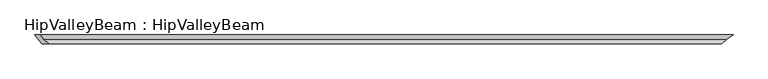
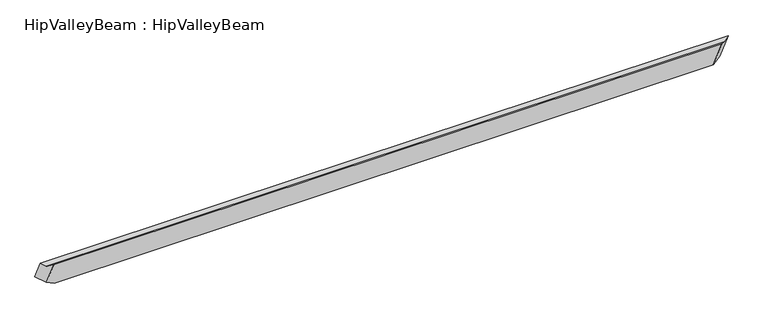
"""IFC4 building model written with IfcOpenShell, lengths in millimetres: beam geometry, HipValleyBeam : HipValleyBeam."""

from ifc_helpers import new_model, si_unit, origin, place, context, project, spatial, faceted_brep, source, transform, mapped, element, save


def hipvalleybeam_hipvalleybeam_e72286e0(model_context):
    return source(origin(), model_context, "Body", "Brep", [
        faceted_brep([(3108.7242757, 40.0, -140.3557131), (3002.9198464, -40.0, -140.3557131), (-3075.1286684, -40.0, -140.3557131), (-3075.1286684, 40.0, -140.3557131), (3185.875771, 40.0, 33.0969856), (-3208.0816243, 40.0, -81.2184415), (-3157.234297, 40.0, 33.0969856), (3082.8253506, -40.0, 39.2885738), (-3082.0238474, -40.0, 39.2885738), (-3147.5926632, -40.0, -108.1238389), (3126.9898165, 0.0, 19.6442869), (-3126.9898165, 0.0, 19.6442869)], [[[0, 1, 2, 3]], [[4, 0, 3, 5, 6]], [[1, 7, 8, 9, 2]], [[1, 0, 4, 10, 7]], [[8, 11, 6, 5, 9]], [[11, 10, 4, 6]], [[3, 2, 9, 5]], [[10, 11, 8, 7]]]),
    ])


if __name__ == "__main__":
    model = new_model("IFC4")
    model_context = context("Model", 3, world=origin())
    ifc_project = project(units=[si_unit("LENGTHUNIT", "METRE", prefix="MILLI")], contexts=[model_context])
    site = spatial("IfcSite", under=ifc_project)
    building = spatial("IfcBuilding", under=site)
    placement = place(None, origin())
    hipvalleybeam_hipvalleybeam_shape = hipvalleybeam_hipvalleybeam_e72286e0(model_context)
    element("IfcBeam", 1, ObjectType="HipValleyBeam : HipValleyBeam", at=placement, inside=building, context=model_context, shape_type="MappedRepresentation", body=[
        mapped(hipvalleybeam_hipvalleybeam_shape, transform((0.0, 0.0, 0.0), x_axis=(1.0, 0.0, 0.0), y_axis=(0.0, 1.0, 0.0), z_axis=(0.0, 0.0, 1.0))),
    ])
    save(model, "model.ifc")
